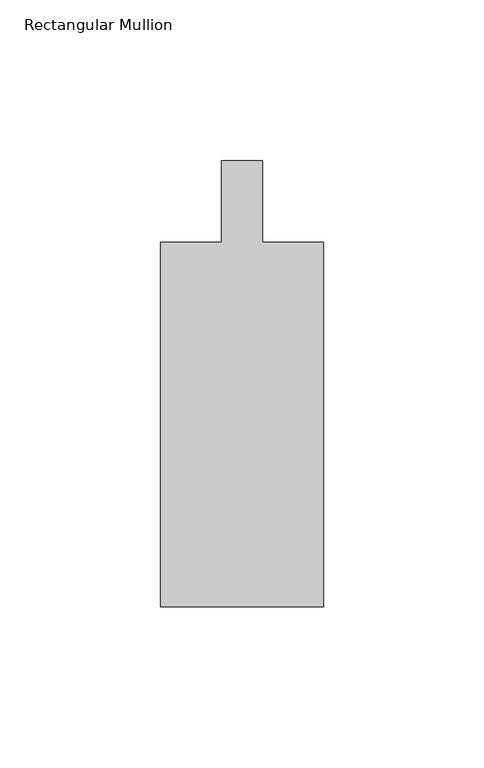
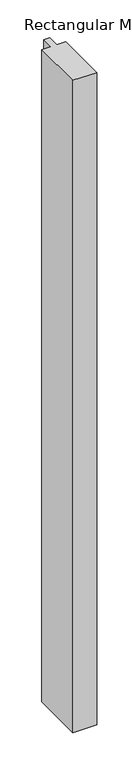
"""IFC4 building model written with IfcOpenShell, lengths in millimetres: member geometry, Rectangular Mullion."""

from ifc_helpers import new_model, si_unit, frame, origin, place, context, project, spatial, polyline, outline, extrude, source, transform, mapped, element, save


def rectangular_mullion_7501246a(model_context):
    return source(origin(), model_context, "Body", "SweptSolid", [
        extrude(outline(polyline([(-25.4, -138.90625), (-25.4, -25.4), (-6.35, -25.4), (-6.35, 0.0), (6.35, 0.0), (6.35, -25.4), (25.4, -25.4), (25.4, -138.90625), (-25.4, -138.90625)])), frame((0.0, 0.0, -1460.5), z_axis=(0.0, 0.0, 1.0), x_axis=(1.0, 0.0, 0.0)), (0.0, 0.0, 1.0), 1460.5),
    ])


if __name__ == "__main__":
    model = new_model("IFC4")
    model_context = context("Model", 3, world=origin())
    ifc_project = project(units=[si_unit("LENGTHUNIT", "METRE", prefix="MILLI")], contexts=[model_context])
    site = spatial("IfcSite", under=ifc_project)
    building = spatial("IfcBuilding", under=site)
    placement = place(None, origin())
    rectangular_mullion_shape = rectangular_mullion_7501246a(model_context)
    element("IfcMember", 1, ObjectType="Rectangular Mullion", at=placement, inside=building, context=model_context, shape_type="MappedRepresentation", body=[
        mapped(rectangular_mullion_shape, transform((0.0, 0.0, 0.0), x_axis=(1.0, 0.0, 0.0), y_axis=(0.0, 1.0, 0.0), z_axis=(0.0, 0.0, 1.0))),
    ])
    save(model, "model.ifc")
